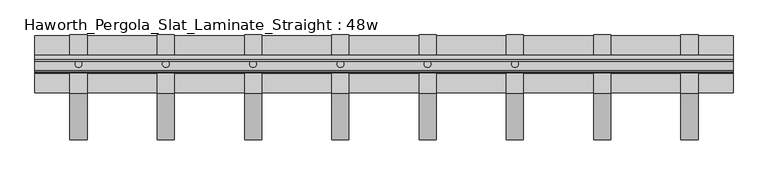
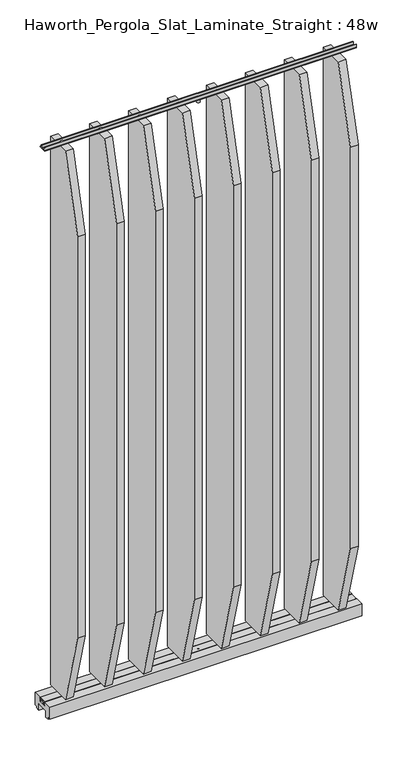
"""IFC4 building model written with IfcOpenShell, lengths in millimetres: furniture geometry, Haworth_Pergola_Slat_Laminate_Straight : 48w."""

import ifcopenshell
import ifcopenshell.guid

model = None  # the IFC model being written
_history = None  # IfcOwnerHistory: only IFC2X3 demands one
_inside = {}  # id of a spatial element -> (the spatial element, [elements in it])
_under = {}  # id of a project, library or spatial element -> (it, [spatial elements below it])
_declared = {}  # id of a project -> (the project, [libraries it declares])
_typed = {}  # id of a type object -> (the type object, [elements of that type])
_made_of = {}  # id of a material, layer set ... -> (it, [elements and type objects made of it])


def new_model(schema):
    """Start an empty IFC model of exactly this schema.

    Asked for "IFC4X3", IfcOpenShell would pick the latest addendum, in which some entities
    have other attributes; the version numbers below select the first issue.
    IFC2X3 requires an IfcOwnerHistory on every rooted entity: one is made here for all.
    """
    global model, _history
    if schema == "IFC4X3":
        model = ifcopenshell.file(schema_version=(4, 3, 0, 0))
    else:
        model = ifcopenshell.file(schema=schema)
    _inside.clear()
    _under.clear()
    _declared.clear()
    _typed.clear()
    _made_of.clear()
    _history = None
    if model.schema == "IFC2X3":
        org = make("IfcOrganization", Name="unknown")
        user = make(
            "IfcPersonAndOrganization",
            ThePerson=make("IfcPerson", FamilyName="unknown"),
            TheOrganization=org,
        )
        app = make(
            "IfcApplication",
            ApplicationDeveloper=org,
            Version="unknown",
            ApplicationFullName="unknown",
            ApplicationIdentifier="unknown",
        )
        _history = make(
            "IfcOwnerHistory",
            OwningUser=user,
            OwningApplication=app,
            ChangeAction="ADDED",
            CreationDate=0,
        )
    return model


def make(cls, **values):
    """One entity of the class cls with the attributes given. An attribute that is None is left unset."""
    return model.create_entity(
        cls, **{name: value for name, value in values.items() if value is not None}
    )


def rooted(cls, **values):
    """An entity with a GlobalId (a new one), such as an element, a storey or a relation."""
    return make(cls, GlobalId=ifcopenshell.guid.new(), OwnerHistory=_history, **values)


def si_unit(unit_type, name, prefix=None):
    """IfcSIUnit, for example si_unit("LENGTHUNIT", "METRE", prefix="MILLI")."""
    return make("IfcSIUnit", UnitType=unit_type, Prefix=prefix, Name=name)


def assignment(units):
    """IfcUnitAssignment: the units of a project."""
    return None if units is None else make("IfcUnitAssignment", Units=units)


def point(xyz):
    """IfcCartesianPoint."""
    return None if xyz is None else make("IfcCartesianPoint", Coordinates=xyz)


def direction(xyz):
    """IfcDirection."""
    return None if xyz is None else make("IfcDirection", DirectionRatios=xyz)


def frame(location, z_axis=None, x_axis=None):
    """IfcAxis2Placement3D, a coordinate frame: its origin and axes. An axis left out is left unset."""
    return make(
        "IfcAxis2Placement3D",
        Location=point(location),
        Axis=direction(z_axis),
        RefDirection=direction(x_axis),
    )


def frame_2d(location, x_axis=None):
    """IfcAxis2Placement2D, a coordinate frame in the plane: its origin and x axis."""
    return make(
        "IfcAxis2Placement2D", Location=point(location), RefDirection=direction(x_axis)
    )


def origin():
    """The frame at (0, 0, 0) with its axes left unset."""
    return frame((0.0, 0.0, 0.0))


def place(relative_to, where):
    """IfcLocalPlacement: puts the frame where relative to a parent placement (None: the world)."""
    return make(
        "IfcLocalPlacement", PlacementRelTo=relative_to, RelativePlacement=where
    )


def context(
    kind, dimensions, precision=None, world=None, true_north=None, identifier=None
):
    """IfcGeometricRepresentationContext, for example the 3D "Model" context."""
    return make(
        "IfcGeometricRepresentationContext",
        ContextIdentifier=identifier,
        ContextType=kind,
        CoordinateSpaceDimension=dimensions,
        Precision=precision,
        WorldCoordinateSystem=world,
        TrueNorth=true_north,
    )


def project(units=None, contexts=None):
    """IfcProject with its units and contexts."""
    return rooted(
        "IfcProject",
        Name="project",
        RepresentationContexts=contexts,
        UnitsInContext=assignment(units),
    )


def spatial(cls, under=None, at=None, **own):
    """A site, building, storey or space (cls), placed at a placement, below another one or the project."""
    s = rooted(cls, ObjectPlacement=at, **own)
    if under is not None:
        _under.setdefault(under.id(), (under, []))[1].append(s)
    return s


def polyline(points):
    """IfcPolyline through the points."""
    return make("IfcPolyline", Points=[point(p) for p in points])


def circle_curve(where, radius):
    """IfcCircle in the frame where."""
    return make("IfcCircle", Position=where, Radius=radius)


def trimmed(basis, trim1, trim2, sense, master):
    """IfcTrimmedCurve: the piece of a basis curve between two trims."""
    return make(
        "IfcTrimmedCurve",
        BasisCurve=basis,
        Trim1=trim1,
        Trim2=trim2,
        SenseAgreement=sense,
        MasterRepresentation=master,
    )


def segment(curve, same_sense, transition):
    """IfcCompositeCurveSegment."""
    return make(
        "IfcCompositeCurveSegment",
        Transition=transition,
        SameSense=same_sense,
        ParentCurve=curve,
    )


def composite_curve(segments, self_intersect=None):
    """IfcCompositeCurve: segments joined end to end."""
    return make("IfcCompositeCurve", Segments=segments, SelfIntersect=self_intersect)


def outline(outer, holes=None, kind="AREA"):
    """IfcArbitraryClosedProfileDef: a profile drawn as a closed curve; with holes, ...WithVoids."""
    if holes is None:
        return make("IfcArbitraryClosedProfileDef", ProfileType=kind, OuterCurve=outer)
    return make(
        "IfcArbitraryProfileDefWithVoids",
        ProfileType=kind,
        OuterCurve=outer,
        InnerCurves=holes,
    )


def extrude(swept, where, along, depth):
    """IfcExtrudedAreaSolid: the profile swept, set in the frame where, extruded along a direction by depth."""
    return make(
        "IfcExtrudedAreaSolid",
        SweptArea=swept,
        Position=where,
        ExtrudedDirection=direction(along),
        Depth=depth,
    )


def shape(context_of_items, identifier, shape_type, items):
    """IfcShapeRepresentation: the items that make up one representation, for example the "Body"."""
    return make(
        "IfcShapeRepresentation",
        ContextOfItems=context_of_items,
        RepresentationIdentifier=identifier,
        RepresentationType=shape_type,
        Items=items,
    )


def source(mapping_origin, context_of_items, identifier, shape_type, items):
    """IfcRepresentationMap: a shape defined once, which mapped items show again and again."""
    return make(
        "IfcRepresentationMap",
        MappingOrigin=mapping_origin,
        MappedRepresentation=shape(context_of_items, identifier, shape_type, items),
    )


def transform(
    local_origin,
    x_axis=None,
    y_axis=None,
    z_axis=None,
    scale=None,
    scale2=None,
    scale3=None,
    uniform=True,
):
    """IfcCartesianTransformationOperator3D, or its non-uniform kind. x_axis, y_axis, z_axis: its Axis1, 2, 3."""
    if uniform:
        return make(
            "IfcCartesianTransformationOperator3D",
            Axis1=direction(x_axis),
            Axis2=direction(y_axis),
            LocalOrigin=point(local_origin),
            Scale=scale,
            Axis3=direction(z_axis),
        )
    return make(
        "IfcCartesianTransformationOperator3DnonUniform",
        Axis1=direction(x_axis),
        Axis2=direction(y_axis),
        LocalOrigin=point(local_origin),
        Scale=scale,
        Axis3=direction(z_axis),
        Scale2=scale2,
        Scale3=scale3,
    )


def mapped(mapping_source, mapping_target):
    """IfcMappedItem: shows the shape of a source again, moved by a transform."""
    return make(
        "IfcMappedItem", MappingSource=mapping_source, MappingTarget=mapping_target
    )


def made_of(thing, what):
    """Note that an element or type object is made of a material, layer set ...; save() writes the relation."""
    if what is not None:
        _made_of.setdefault(what.id(), (what, []))[1].append(thing)
    return thing


def element(
    cls,
    number,
    at=None,
    inside=None,
    cuts=None,
    type_object=None,
    material=None,
    context=None,
    identifier="Body",
    shape_type=None,
    held_by="IfcProductDefinitionShape",
    body=None,
    shapes=None,
    **own,
):
    """One element of the class cls, such as IfcWall. Its Tag is "e" and its number.

    at: its placement. inside: the storey or other place that contains it. cuts: it is an
    opening in that element (IfcRelVoidsElement). A single representation is given by context,
    identifier, shape_type and body (its items); several are given by shapes. held_by: the class
    of the entity that holds the representations. save() writes the other relations.
    """
    e = rooted(cls, Tag="e%d" % number, ObjectPlacement=at, **own)
    if body is not None:
        shapes = [shape(context, identifier, shape_type, body)]
    if shapes is not None:
        e.Representation = make(held_by, Representations=shapes)
    if inside is not None:
        _inside.setdefault(inside.id(), (inside, []))[1].append(e)
    if cuts is not None:
        rooted(
            "IfcRelVoidsElement", RelatingBuildingElement=cuts, RelatedOpeningElement=e
        )
    if type_object is not None:
        _typed.setdefault(type_object.id(), (type_object, []))[1].append(e)
    return made_of(e, material)


def aggregate(whole, parts):
    """IfcRelAggregates: a whole, such as a stair, and the parts it consists of."""
    return rooted("IfcRelAggregates", RelatingObject=whole, RelatedObjects=parts)


def save(model, path):
    """Write the relations noted so far, then the file.

    IfcRelAggregates (storeys below a building ...), IfcRelContainedInSpatialStructure (elements
    in a storey), IfcRelDefinesByType, IfcRelAssociatesMaterial and IfcRelDeclares: one each for
    every whole, place, type object, material and project.
    """
    for whole, parts in _under.values():
        aggregate(whole, parts)
    for where, things in _inside.values():
        rooted(
            "IfcRelContainedInSpatialStructure",
            RelatedElements=things,
            RelatingStructure=where,
        )
    for kind, things in _typed.values():
        rooted("IfcRelDefinesByType", RelatedObjects=things, RelatingType=kind)
    for what, things in _made_of.values():
        rooted("IfcRelAssociatesMaterial", RelatedObjects=things, RelatingMaterial=what)
    for by, libraries in _declared.values():
        rooted("IfcRelDeclares", RelatingContext=by, RelatedDefinitions=libraries)
    model.write(path)


def haworth_pergola_slat_laminate_straight_48w_c4b438f1(model_context):
    return source(origin(), model_context, "Body", "SweptSolid", [
        extrude(outline(polyline([(-132.3000005, 2029.6586493), (-50.7895063, 2332.5477679), (50.8000016, 2332.5477679), (50.8000016, 69.1696429), (-50.7894893, 69.1696429), (-132.3000005, 372.0587009), (-132.3000005, 2029.6586493)])), frame((404.1000003, 0.0, 0.0), z_axis=(1.0, 0.0, 0.0), x_axis=(0.0, 1.0, 0.0)), (0.0, 0.0, 1.0), 29.9999997),
        extrude(outline(composite_curve([segment(trimmed(circle_curve(frame_2d((419.1000001, 1e-07)), 6.0), [point((413.1000001, 1e-07))], [point((425.1000001, 1e-07))], False, "CARTESIAN"), True, "CONTINUOUS"), segment(trimmed(circle_curve(frame_2d((419.1000001, 1e-07)), 6.0), [point((425.1000001, 1e-07))], [point((413.1000001, 1e-07))], False, "CARTESIAN"), True, "CONTINUOUS")], self_intersect=False)), frame((0.0, 0.0, 2332.5477679), z_axis=(0.0, 0.0, 1.0), x_axis=(1.0, 0.0, 0.0)), (0.0, 0.0, 1.0), 4.9609375),
        extrude(outline(composite_curve([segment(trimmed(circle_curve(frame_2d((419.1000001, 1e-07)), 6.0), [point((413.1000001, 1e-07))], [point((425.1000001, 1e-07))], False, "CARTESIAN"), True, "CONTINUOUS"), segment(trimmed(circle_curve(frame_2d((419.1000001, 1e-07)), 6.0), [point((425.1000001, 1e-07))], [point((413.1000001, 1e-07))], False, "CARTESIAN"), True, "CONTINUOUS")], self_intersect=False)), frame((0.0, 0.0, 64.2087054), z_axis=(0.0, 0.0, 1.0), x_axis=(1.0, 0.0, 0.0)), (0.0, 0.0, 1.0), 4.9609375),
        extrude(outline(polyline([(-132.3000005, 2030.3673546), (-50.7895063, 2333.2564732), (50.8000016, 2333.2564732), (50.8000016, 69.8783482), (-50.7894893, 69.8783482), (-132.3000005, 372.7674062), (-132.3000005, 2030.3673546)])), frame((251.7000003, 0.0, 0.0), z_axis=(1.0, 0.0, 0.0), x_axis=(0.0, 1.0, 0.0)), (0.0, 0.0, 1.0), 29.9999997),
        extrude(outline(composite_curve([segment(trimmed(circle_curve(frame_2d((266.7000001, 1e-07)), 6.0), [point((260.7000001, 1e-07))], [point((272.7000001, 1e-07))], False, "CARTESIAN"), True, "CONTINUOUS"), segment(trimmed(circle_curve(frame_2d((266.7000001, 1e-07)), 6.0), [point((272.7000001, 1e-07))], [point((260.7000001, 1e-07))], False, "CARTESIAN"), True, "CONTINUOUS")], self_intersect=False)), frame((0.0, 0.0, 2333.2564732), z_axis=(0.0, 0.0, 1.0), x_axis=(1.0, 0.0, 0.0)), (0.0, 0.0, 1.0), 4.9609375),
        extrude(outline(composite_curve([segment(trimmed(circle_curve(frame_2d((266.7000001, 1e-07)), 6.0), [point((260.7000001, 1e-07))], [point((272.7000001, 1e-07))], False, "CARTESIAN"), True, "CONTINUOUS"), segment(trimmed(circle_curve(frame_2d((266.7000001, 1e-07)), 6.0), [point((272.7000001, 1e-07))], [point((260.7000001, 1e-07))], False, "CARTESIAN"), True, "CONTINUOUS")], self_intersect=False)), frame((0.0, 0.0, 64.9174107), z_axis=(0.0, 0.0, 1.0), x_axis=(1.0, 0.0, 0.0)), (0.0, 0.0, 1.0), 4.9609375),
        extrude(outline(polyline([(-132.3000005, 2031.07606), (-50.7895063, 2333.9651786), (50.8000016, 2333.9651786), (50.8000016, 70.5870536), (-50.7894893, 70.5870536), (-132.3000005, 373.4761116), (-132.3000005, 2031.07606)])), frame((99.3000003, 0.0, 0.0), z_axis=(1.0, 0.0, 0.0), x_axis=(0.0, 1.0, 0.0)), (0.0, 0.0, 1.0), 29.9999997),
        extrude(outline(composite_curve([segment(trimmed(circle_curve(frame_2d((114.3000001, 1e-07)), 6.0), [point((108.3000001, 1e-07))], [point((120.3000001, 1e-07))], False, "CARTESIAN"), True, "CONTINUOUS"), segment(trimmed(circle_curve(frame_2d((114.3000001, 1e-07)), 6.0), [point((120.3000001, 1e-07))], [point((108.3000001, 1e-07))], False, "CARTESIAN"), True, "CONTINUOUS")], self_intersect=False)), frame((0.0, 0.0, 2333.9651786), z_axis=(0.0, 0.0, 1.0), x_axis=(1.0, 0.0, 0.0)), (0.0, 0.0, 1.0), 4.9609375),
        extrude(outline(composite_curve([segment(trimmed(circle_curve(frame_2d((114.3000001, 1e-07)), 6.0), [point((108.3000001, 1e-07))], [point((120.3000001, 1e-07))], False, "CARTESIAN"), True, "CONTINUOUS"), segment(trimmed(circle_curve(frame_2d((114.3000001, 1e-07)), 6.0), [point((120.3000001, 1e-07))], [point((108.3000001, 1e-07))], False, "CARTESIAN"), True, "CONTINUOUS")], self_intersect=False)), frame((0.0, 0.0, 65.6261161), z_axis=(0.0, 0.0, 1.0), x_axis=(1.0, 0.0, 0.0)), (0.0, 0.0, 1.0), 4.9609375),
        extrude(outline(polyline([(-132.3000005, 2031.7847654), (-50.7895063, 2334.6738839), (50.8000016, 2334.6738839), (50.8000016, 71.2957589), (-50.7894893, 71.2957589), (-132.3000005, 374.1848169), (-132.3000005, 2031.7847654)])), frame((-53.0999997, 0.0, 0.0), z_axis=(1.0, 0.0, 0.0), x_axis=(0.0, 1.0, 0.0)), (0.0, 0.0, 1.0), 29.9999997),
        extrude(outline(composite_curve([segment(trimmed(circle_curve(frame_2d((-38.0999999, 1e-07)), 6.0), [point((-44.0999999, 1e-07))], [point((-32.0999999, 1e-07))], False, "CARTESIAN"), True, "CONTINUOUS"), segment(trimmed(circle_curve(frame_2d((-38.0999999, 1e-07)), 6.0), [point((-32.0999999, 1e-07))], [point((-44.0999999, 1e-07))], False, "CARTESIAN"), True, "CONTINUOUS")], self_intersect=False)), frame((0.0, 0.0, 2334.6738839), z_axis=(0.0, 0.0, 1.0), x_axis=(1.0, 0.0, 0.0)), (0.0, 0.0, 1.0), 4.9609375),
        extrude(outline(composite_curve([segment(trimmed(circle_curve(frame_2d((-38.0999999, 1e-07)), 6.0), [point((-44.0999999, 1e-07))], [point((-32.0999999, 1e-07))], False, "CARTESIAN"), True, "CONTINUOUS"), segment(trimmed(circle_curve(frame_2d((-38.0999999, 1e-07)), 6.0), [point((-32.0999999, 1e-07))], [point((-44.0999999, 1e-07))], False, "CARTESIAN"), True, "CONTINUOUS")], self_intersect=False)), frame((0.0, 0.0, 66.3348214), z_axis=(0.0, 0.0, 1.0), x_axis=(1.0, 0.0, 0.0)), (0.0, 0.0, 1.0), 4.9609375),
        extrude(outline(polyline([(-132.3000005, 2032.4934707), (-50.7895063, 2335.3825893), (50.8000016, 2335.3825893), (50.8000016, 72.0044643), (-50.7894893, 72.0044643), (-132.3000005, 374.8935223), (-132.3000005, 2032.4934707)])), frame((-205.4999997, 0.0, 0.0), z_axis=(1.0, 0.0, 0.0), x_axis=(0.0, 1.0, 0.0)), (0.0, 0.0, 1.0), 29.9999997),
        extrude(outline(composite_curve([segment(trimmed(circle_curve(frame_2d((-190.4999999, 1e-07)), 6.0), [point((-196.4999999, 1e-07))], [point((-184.4999999, 1e-07))], False, "CARTESIAN"), True, "CONTINUOUS"), segment(trimmed(circle_curve(frame_2d((-190.4999999, 1e-07)), 6.0), [point((-184.4999999, 1e-07))], [point((-196.4999999, 1e-07))], False, "CARTESIAN"), True, "CONTINUOUS")], self_intersect=False)), frame((0.0, 0.0, 2335.3825893), z_axis=(0.0, 0.0, 1.0), x_axis=(1.0, 0.0, 0.0)), (0.0, 0.0, 1.0), 4.9609375),
        extrude(outline(composite_curve([segment(trimmed(circle_curve(frame_2d((-190.4999999, 1e-07)), 6.0), [point((-196.4999999, 1e-07))], [point((-184.4999999, 1e-07))], False, "CARTESIAN"), True, "CONTINUOUS"), segment(trimmed(circle_curve(frame_2d((-190.4999999, 1e-07)), 6.0), [point((-184.4999999, 1e-07))], [point((-196.4999999, 1e-07))], False, "CARTESIAN"), True, "CONTINUOUS")], self_intersect=False)), frame((0.0, 0.0, 67.0435268), z_axis=(0.0, 0.0, 1.0), x_axis=(1.0, 0.0, 0.0)), (0.0, 0.0, 1.0), 4.9609375),
        extrude(outline(polyline([(-132.3000005, 2033.2021761), (-50.7895063, 2336.0912946), (50.8000016, 2336.0912946), (50.8000016, 72.7131696), (-50.7894893, 72.7131696), (-132.3000005, 375.6022277), (-132.3000005, 2033.2021761)])), frame((-357.8999997, 0.0, 0.0), z_axis=(1.0, 0.0, 0.0), x_axis=(0.0, 1.0, 0.0)), (0.0, 0.0, 1.0), 29.9999997),
        extrude(outline(composite_curve([segment(trimmed(circle_curve(frame_2d((-342.8999999, 1e-07)), 6.0), [point((-348.8999999, 1e-07))], [point((-336.8999999, 1e-07))], False, "CARTESIAN"), True, "CONTINUOUS"), segment(trimmed(circle_curve(frame_2d((-342.8999999, 1e-07)), 6.0), [point((-336.8999999, 1e-07))], [point((-348.8999999, 1e-07))], False, "CARTESIAN"), True, "CONTINUOUS")], self_intersect=False)), frame((0.0, 0.0, 2336.0912946), z_axis=(0.0, 0.0, 1.0), x_axis=(1.0, 0.0, 0.0)), (0.0, 0.0, 1.0), 4.9609375),
        extrude(outline(composite_curve([segment(trimmed(circle_curve(frame_2d((-342.8999999, 1e-07)), 6.0), [point((-348.8999999, 1e-07))], [point((-336.8999999, 1e-07))], False, "CARTESIAN"), True, "CONTINUOUS"), segment(trimmed(circle_curve(frame_2d((-342.8999999, 1e-07)), 6.0), [point((-336.8999999, 1e-07))], [point((-348.8999999, 1e-07))], False, "CARTESIAN"), True, "CONTINUOUS")], self_intersect=False)), frame((0.0, 0.0, 67.7522321), z_axis=(0.0, 0.0, 1.0), x_axis=(1.0, 0.0, 0.0)), (0.0, 0.0, 1.0), 4.9609375),
        extrude(outline(polyline([(-132.3000005, 2028.9499439), (-50.7895063, 2331.8390625), (50.8000016, 2331.8390625), (50.8000016, 68.4609375), (-50.7894893, 68.4609375), (-132.3000005, 371.3499955), (-132.3000005, 2028.9499439)])), frame((556.5000003, 0.0, 0.0), z_axis=(1.0, 0.0, 0.0), x_axis=(0.0, 1.0, 0.0)), (0.0, 0.0, 1.0), 29.9999997),
        extrude(outline(composite_curve([segment(trimmed(circle_curve(frame_2d((571.5000001, 1e-07)), 6.0), [point((565.5000001, 1e-07))], [point((577.5000001, 1e-07))], False, "CARTESIAN"), True, "CONTINUOUS"), segment(trimmed(circle_curve(frame_2d((571.5000001, 1e-07)), 6.0), [point((577.5000001, 1e-07))], [point((565.5000001, 1e-07))], False, "CARTESIAN"), True, "CONTINUOUS")], self_intersect=False)), frame((0.0, 0.0, 2331.8390625), z_axis=(0.0, 0.0, 1.0), x_axis=(1.0, 0.0, 0.0)), (0.0, 0.0, 1.0), 4.9609375),
        extrude(outline(composite_curve([segment(trimmed(circle_curve(frame_2d((571.5000001, 1e-07)), 6.0), [point((565.5000001, 1e-07))], [point((577.5000001, 1e-07))], False, "CARTESIAN"), True, "CONTINUOUS"), segment(trimmed(circle_curve(frame_2d((571.5000001, 1e-07)), 6.0), [point((577.5000001, 1e-07))], [point((565.5000001, 1e-07))], False, "CARTESIAN"), True, "CONTINUOUS")], self_intersect=False)), frame((0.0, 0.0, 63.5), z_axis=(0.0, 0.0, 1.0), x_axis=(1.0, 0.0, 0.0)), (0.0, 0.0, 1.0), 4.9609375),
        extrude(outline(polyline([(-132.3000005, 2033.9108814), (-50.7895063, 2336.8), (50.8000016, 2336.8), (50.8000016, 73.421875), (-50.7894893, 73.421875), (-132.3000005, 376.310933), (-132.3000005, 2033.9108814)])), frame((-510.2999997, 0.0, 0.0), z_axis=(1.0, 0.0, 0.0), x_axis=(0.0, 1.0, 0.0)), (0.0, 0.0, 1.0), 29.9999997),
        extrude(outline(composite_curve([segment(trimmed(circle_curve(frame_2d((-495.2999999, 1e-07)), 6.0), [point((-501.2999999, 1e-07))], [point((-489.2999999, 1e-07))], False, "CARTESIAN"), True, "CONTINUOUS"), segment(trimmed(circle_curve(frame_2d((-495.2999999, 1e-07)), 6.0), [point((-489.2999999, 1e-07))], [point((-501.2999999, 1e-07))], False, "CARTESIAN"), True, "CONTINUOUS")], self_intersect=False)), frame((0.0, 0.0, 2336.8), z_axis=(0.0, 0.0, 1.0), x_axis=(1.0, 0.0, 0.0)), (0.0, 0.0, 1.0), 4.9609375),
        extrude(outline(composite_curve([segment(trimmed(circle_curve(frame_2d((-495.2999999, 1e-07)), 6.0), [point((-501.2999999, 1e-07))], [point((-489.2999999, 1e-07))], False, "CARTESIAN"), True, "CONTINUOUS"), segment(trimmed(circle_curve(frame_2d((-495.2999999, 1e-07)), 6.0), [point((-489.2999999, 1e-07))], [point((-501.2999999, 1e-07))], False, "CARTESIAN"), True, "CONTINUOUS")], self_intersect=False)), frame((0.0, 0.0, 68.4609375), z_axis=(0.0, 0.0, 1.0), x_axis=(1.0, 0.0, 0.0)), (0.0, 0.0, 1.0), 4.9609375),
        extrude(outline(polyline([(-7.8249998, 61.7499993), (-15.2249995, 61.7499993), (-15.2249995, 63.5), (15.2249996, 63.5), (15.2249996, 61.7499999), (13.3999997, 61.7499999), (13.3999997, 50.2499995), (11.8250005, 50.2499995), (11.8250005, 61.7499993), (-4.8250001, 61.7499993), (-4.8250001, 50.0999996), (-7.8249998, 50.0999996), (-7.8249998, 61.7499993)])), frame((-571.5, 0.0, 0.0), z_axis=(1.0, 0.0, 0.0), x_axis=(0.0, 1.0, 0.0)), (0.0, 0.0, 1.0), 1219.2),
        extrude(outline(polyline([(-16.2000002, 63.5), (-16.5085717, 61.7499999), (-13.3999996, 61.7499999), (-13.3999996, 58.8973461), (-15.4000002, 59.2499999), (-15.4000002, 48.3500004), (15.4000003, 48.3500004), (15.4000003, 59.2499999), (13.3999997, 58.8973461), (13.3999997, 61.7499999), (16.5085718, 61.7499999), (16.2000003, 63.5), (50.0000004, 63.5), (50.0000004, 12.6999985), (40.9499987, 12.6999985), (38.9499981, 10.6999979), (28.9499999, 10.6999979), (28.9499999, 7.6999994), (38.9499981, 7.6999994), (38.9499981, 5.6999988), (23.7499993, 5.6999988), (23.7499993, 31.4500009), (-23.7499992, 31.4500009), (-23.7499992, 5.6999988), (-38.949998, 5.6999988), (-38.949998, 7.6999994), (-28.9499998, 7.6999994), (-28.9499998, 10.6999979), (-38.949998, 10.6999979), (-40.9499986, 12.6999985), (-50.0000003, 12.6999985), (-50.0000003, 63.5), (-16.2000002, 63.5)])), frame((-571.5, 0.0, 0.0), z_axis=(1.0, 0.0, 0.0), x_axis=(0.0, 1.0, 0.0)), (0.0, 0.0, 1.0), 1219.2),
        extrude(outline(polyline([(7.8249999, 2338.5500385), (15.2249996, 2338.5500385), (15.2249996, 2336.8), (-15.2249995, 2336.8), (-15.2249995, 2338.5500385), (-13.3999996, 2338.5500385), (-13.3999996, 2350.0500633), (-11.8249992, 2350.0500633), (-11.8250004, 2338.5500385), (4.8250002, 2338.5500385), (4.8250002, 2350.2000542), (7.8250005, 2350.2000542), (7.8249999, 2338.5500385)])), frame((-571.5, 0.0, 0.0), z_axis=(1.0, 0.0, 0.0), x_axis=(0.0, 1.0, 0.0)), (0.0, 0.0, 1.0), 1219.2),
        extrude(outline(composite_curve([segment(trimmed(circle_curve(frame_2d((38.1000001, 1e-07)), 6.0), [point((32.1000001, 1e-07))], [point((44.1000001, 1e-07))], False, "CARTESIAN"), True, "CONTINUOUS"), segment(trimmed(circle_curve(frame_2d((38.1000001, 1e-07)), 6.0), [point((44.1000001, 1e-07))], [point((32.1000001, 1e-07))], False, "CARTESIAN"), True, "CONTINUOUS")], self_intersect=False)), frame((0.0, 0.0, 2319.1390625), z_axis=(0.0, 0.0, 1.0), x_axis=(1.0, 0.0, 0.0)), (0.0, 0.0, 1.0), 17.6609375),
        extrude(outline(composite_curve([segment(trimmed(circle_curve(frame_2d((38.1000001, 1e-07)), 6.0), [point((32.1000001, 1e-07))], [point((44.1000001, 1e-07))], False, "CARTESIAN"), True, "CONTINUOUS"), segment(trimmed(circle_curve(frame_2d((38.1000001, 1e-07)), 6.0), [point((44.1000001, 1e-07))], [point((32.1000001, 1e-07))], False, "CARTESIAN"), True, "CONTINUOUS")], self_intersect=False)), frame((0.0, 0.0, 55.7609375), z_axis=(0.0, 0.0, 1.0), x_axis=(1.0, 0.0, 0.0)), (0.0, 0.0, 1.0), 7.7390625),
    ])


if __name__ == "__main__":
    model = new_model("IFC4")
    model_context = context("Model", 3, world=origin())
    ifc_project = project(units=[si_unit("LENGTHUNIT", "METRE", prefix="MILLI")], contexts=[model_context])
    site = spatial("IfcSite", under=ifc_project)
    building = spatial("IfcBuilding", under=site)
    placement = place(None, origin())
    haworth_pergola_slat_laminate_straight_48w_shape = haworth_pergola_slat_laminate_straight_48w_c4b438f1(model_context)
    element("IfcFurniture", 1, ObjectType="Haworth_Pergola_Slat_Laminate_Straight : 48w", at=placement, inside=building, context=model_context, shape_type="MappedRepresentation", body=[
        mapped(haworth_pergola_slat_laminate_straight_48w_shape, transform((0.0, 0.0, 0.0), x_axis=(1.0, 0.0, 0.0), y_axis=(0.0, 1.0, 0.0), z_axis=(0.0, 0.0, 1.0))),
    ])
    save(model, "model.ifc")
